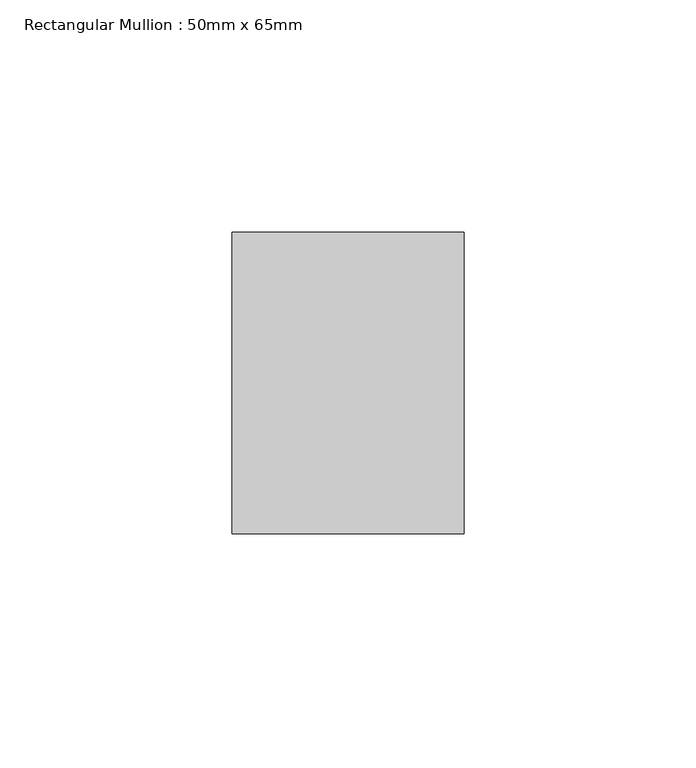
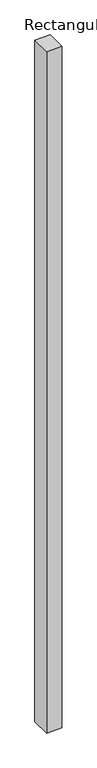
"""IFC4 building model written with IfcOpenShell, lengths in millimetres: member geometry, Rectangular Mullion : 50mm x 65mm."""

from ifc_helpers import new_model, si_unit, frame, origin, place, context, project, spatial, polyline, outline, extrude, source, transform, mapped, element, save


def rectangular_mullion_50mm_x_65mm_755841d5(model_context):
    return source(origin(), model_context, "Body", "SweptSolid", [
        extrude(outline(polyline([(25.0, 32.5), (25.0, -32.5), (-25.0, -32.5), (-25.0, 32.5), (25.0, 32.5)])), frame((0.0, 0.0, -2332.1780042), z_axis=(0.0, 0.0, 1.0), x_axis=(1.0, 0.0, 0.0)), (0.0, 0.0, 1.0), 2332.1780042),
    ])


if __name__ == "__main__":
    model = new_model("IFC4")
    model_context = context("Model", 3, world=origin())
    ifc_project = project(units=[si_unit("LENGTHUNIT", "METRE", prefix="MILLI")], contexts=[model_context])
    site = spatial("IfcSite", under=ifc_project)
    building = spatial("IfcBuilding", under=site)
    placement = place(None, origin())
    rectangular_mullion_50mm_x_65mm_shape = rectangular_mullion_50mm_x_65mm_755841d5(model_context)
    element("IfcMember", 1, ObjectType="Rectangular Mullion : 50mm x 65mm", at=placement, inside=building, context=model_context, shape_type="MappedRepresentation", body=[
        mapped(rectangular_mullion_50mm_x_65mm_shape, transform((0.0, 0.0, 0.0), x_axis=(1.0, 0.0, 0.0), y_axis=(0.0, 1.0, 0.0), z_axis=(0.0, 0.0, 1.0))),
    ])
    save(model, "model.ifc")
